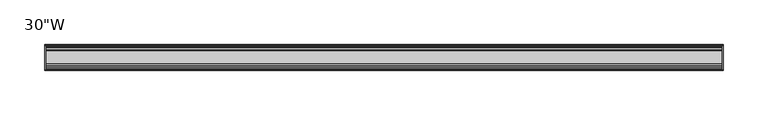
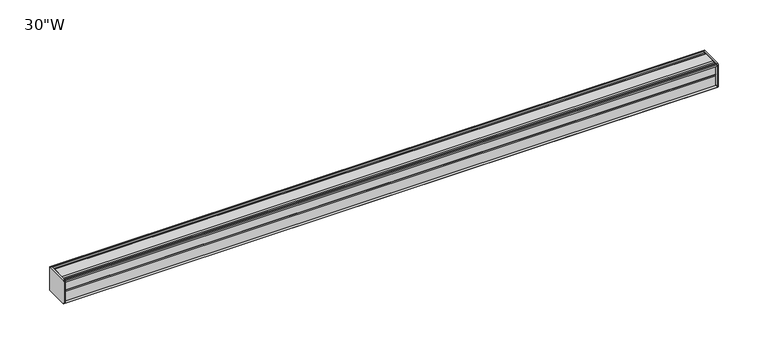
"""IFC4 building model written with IfcOpenShell, lengths in millimetres: furniture geometry."""

from ifc_helpers import new_model, si_unit, frame, origin, place, context, project, spatial, circle_curve, source, transform, mapped, element, save
from ifc_brep_helpers import plane_surface, cylinder_surface, advanced_brep


def furniture_04293cbd(model_context):
    return source(origin(), model_context, "Body", "AdvancedBrep", [
        advanced_brep(
        [(379.4125, 14.5851562, 869.1186262), (379.4125, 14.5851562, 842.9682877), (379.4125, 14.4138595, 842.1623997), (379.4125, 13.8374434, 841.5859837), (379.4125, 12.9019306, 841.3353131), (379.4125, -13.4067434, 841.3353131), (379.4125, -14.3040014, 842.2325711), (379.4125, -14.5851563, 843.0009798), (379.4125, -14.5851563, 868.9193327), (379.4125, -14.3040014, 869.6877414), (379.4125, -13.4464303, 870.5453125), (379.4125, 13.0500437, 870.5453125), (379.4125, 13.8374434, 870.3343288), (379.4125, 14.4138595, 869.7579128), (381.0, 14.6248431, 868.9705131), (381.0, 14.4138595, 869.7579128), (381.0, 13.8374434, 870.3343288), (381.0, 13.0500437, 870.5453125), (381.0, -13.4464303, 870.5453125), (381.0, -14.3040014, 869.6877414), (381.0, -14.5851563, 868.9193327), (381.0, -14.5851563, 843.0009798), (381.0, -14.3040014, 842.2325711), (381.0, -13.4067434, 841.3353131), (381.0, 12.9019306, 841.3353131), (381.0, 13.8374434, 841.5859837), (381.0, 14.4138595, 842.1623997), (381.0, 14.5851562, 842.9682877)],
        [
            (0, 1),
            (1, 2),
            (2, 3),
            (3, 4),
            (4, 5),
            (5, 6),
            (6, 7, circle_curve(frame((379.4125, -13.3945313, 843.0009798), z_axis=(-1.0, 0.0, 0.0), x_axis=(0.0, 1.0, 0.0)), 1.190625)),
            (7, 8),
            (8, 9, circle_curve(frame((379.4125, -13.3945313, 868.9193327), z_axis=(-1.0, 0.0, 0.0), x_axis=(0.0, 1.0, 0.0)), 1.190625)),
            (9, 10),
            (10, 11),
            (11, 12),
            (12, 13),
            (13, 0),
            (14, 15),
            (15, 16),
            (16, 17),
            (17, 18),
            (18, 19),
            (19, 20, circle_curve(frame((381.0, -13.3945313, 868.9193327), z_axis=(1.0, 0.0, 0.0), x_axis=(0.0, 1.0, 0.0)), 1.190625)),
            (20, 21),
            (21, 22, circle_curve(frame((381.0, -13.3945313, 843.0009798), z_axis=(1.0, 0.0, 0.0), x_axis=(0.0, 1.0, 0.0)), 1.190625)),
            (22, 23),
            (23, 24),
            (24, 25),
            (25, 26),
            (26, 27),
            (27, 14),
            (13, 15),
            (14, 0),
            (12, 16),
            (11, 17),
            (10, 18),
            (9, 19),
            (8, 20),
            (7, 21),
            (6, 22),
            (5, 23),
            (4, 24),
            (3, 25),
            (2, 26),
            (1, 27),
        ],
        [
            plane_surface(frame((379.4125, 14.5851562, 842.9682877), z_axis=(-1.0, 0.0, 0.0), x_axis=(0.0, 0.0, -1.0))),
            plane_surface(frame((381.0, 14.5851562, 842.9682877), z_axis=(1.0, 0.0, 0.0), x_axis=(0.0, 0.0, 1.0))),
            plane_surface(frame((379.4125, 14.4138595, 869.7579128), z_axis=(0.0, 0.9659256560349851, 0.25881968049857335), x_axis=(1.0, 0.0, 0.0))),
            plane_surface(frame((379.4125, 13.8374434, 870.3343288), z_axis=(0.0, 0.7071067811866345, 0.7071067811864606), x_axis=(1.0, 0.0, 0.0))),
            plane_surface(frame((379.4125, 13.0500437, 870.5453125), z_axis=(0.0, 0.2588196804711877, 0.9659256560423232), x_axis=(1.0, 0.0, 0.0))),
            plane_surface(frame((379.4125, -13.4464303, 870.5453125), z_axis=(0.0, 0.0, 1.0), x_axis=(1.0, 0.0, 0.0))),
            plane_surface(frame((379.4125, -14.3040014, 869.6877414), z_axis=(0.0, -0.70710678117674, 0.7071067811963553), x_axis=(1.0, 0.0, 0.0))),
            cylinder_surface(frame((381.0, -13.3945313, 868.9193327), z_axis=(-1.0, 0.0, 0.0), x_axis=(0.0, 1.0, 0.0)), 1.190625),
            plane_surface(frame((379.4125, -14.5851563, 843.0009798), z_axis=(0.0, -1.0, 0.0), x_axis=(1.0, 0.0, 0.0))),
            cylinder_surface(frame((381.0, -13.3945313, 843.0009798), z_axis=(-1.0, 0.0, 0.0), x_axis=(0.0, 1.0, 0.0)), 1.190625),
            plane_surface(frame((379.4125, -13.4067434, 841.3353131), z_axis=(0.0, -0.7071067811917079, -0.7071067811813873), x_axis=(1.0, 0.0, 0.0))),
            plane_surface(frame((379.4125, 12.9019306, 841.3353131), z_axis=(0.0, 0.0, -1.0), x_axis=(1.0, 0.0, 0.0))),
            plane_surface(frame((379.4125, 13.8374434, 841.5859837), z_axis=(0.0, 0.2588196804985645, -0.9659256560349875), x_axis=(1.0, 0.0, 0.0))),
            plane_surface(frame((379.4125, 14.4138595, 842.1623997), z_axis=(0.0, 0.7071067811865204, -0.7071067811865748), x_axis=(1.0, 0.0, 0.0))),
            plane_surface(frame((379.4125, 14.5851562, 842.9682877), z_axis=(0.0, 0.9781476007310527, -0.207911690830711), x_axis=(1.0, 0.0, 0.0))),
            plane_surface(frame((379.4125, 14.5851562, 869.1186262), z_axis=(0.0, 1.0, 0.0), x_axis=(1.0, 0.0, 0.0))),
        ],
        [
            (0, [[1, 2, 3, 4, 5, 6, 7, 8, 9, 10, 11, 12, 13, 14]]),
            (1, [[15, 16, 17, 18, 19, 20, 21, 22, 23, 24, 25, 26, 27, 28]]),
            (2, [[-14, 29, -15, 30]]),
            (3, [[-13, 31, -16, -29]]),
            (4, [[-12, 32, -17, -31]]),
            (5, [[-11, 33, -18, -32]]),
            (6, [[-10, 34, -19, -33]]),
            (7, [[-9, 35, -20, -34]]),
            (8, [[-8, 36, -21, -35]]),
            (9, [[-7, 37, -22, -36]]),
            (10, [[-6, 38, -23, -37]]),
            (11, [[-5, 39, -24, -38]]),
            (12, [[-4, 40, -25, -39]]),
            (13, [[-3, 41, -26, -40]]),
            (14, [[-2, 42, -27, -41]]),
            (15, [[-1, -30, -28, -42]]),
        ],
    ),
        advanced_brep(
        [(-379.4125, 14.6248431, 868.9705131), (-379.4125, 14.4138595, 869.7579128), (-379.4125, 13.8374434, 870.3343288), (-379.4125, 13.0500437, 870.5453125), (-379.4125, -13.4464303, 870.5453125), (-379.4125, -14.3040014, 869.6877414), (-379.4125, -14.5851563, 868.9193327), (-379.4125, -14.5851563, 843.0009798), (-379.4125, -14.3040014, 842.2325711), (-379.4125, -13.4067434, 841.3353131), (-379.4125, 12.9019306, 841.3353131), (-379.4125, 13.8374434, 841.5859837), (-379.4125, 14.4138595, 842.1623997), (-379.4125, 14.5851562, 842.9682877), (-381.0, 14.5851562, 869.1186262), (-381.0, 14.5851562, 842.9682877), (-381.0, 14.4138595, 842.1623997), (-381.0, 13.8374434, 841.5859837), (-381.0, 12.9019306, 841.3353131), (-381.0, -13.4067434, 841.3353131), (-381.0, -14.3040014, 842.2325711), (-381.0, -14.5851563, 843.0009798), (-381.0, -14.5851563, 868.9193327), (-381.0, -14.3040014, 869.6877414), (-381.0, -13.4464303, 870.5453125), (-381.0, 13.0500437, 870.5453125), (-381.0, 13.8374434, 870.3343288), (-381.0, 14.4138595, 869.7579128)],
        [
            (0, 1),
            (1, 2),
            (2, 3),
            (3, 4),
            (4, 5),
            (5, 6, circle_curve(frame((-379.4125, -13.3945313, 868.9193327), z_axis=(1.0, 0.0, 0.0), x_axis=(0.0, 1.0, 0.0)), 1.190625)),
            (6, 7),
            (7, 8, circle_curve(frame((-379.4125, -13.3945313, 843.0009798), z_axis=(1.0, 0.0, 0.0), x_axis=(0.0, 1.0, 0.0)), 1.190625)),
            (8, 9),
            (9, 10),
            (10, 11),
            (11, 12),
            (12, 13),
            (13, 0),
            (14, 15),
            (15, 16),
            (16, 17),
            (17, 18),
            (18, 19),
            (19, 20),
            (20, 21, circle_curve(frame((-381.0, -13.3945313, 843.0009798), z_axis=(-1.0, 0.0, 0.0), x_axis=(0.0, 1.0, 0.0)), 1.190625)),
            (21, 22),
            (22, 23, circle_curve(frame((-381.0, -13.3945313, 868.9193327), z_axis=(-1.0, 0.0, 0.0), x_axis=(0.0, 1.0, 0.0)), 1.190625)),
            (23, 24),
            (24, 25),
            (25, 26),
            (26, 27),
            (27, 14),
            (0, 14),
            (27, 1),
            (26, 2),
            (25, 3),
            (24, 4),
            (23, 5),
            (22, 6),
            (21, 7),
            (20, 8),
            (19, 9),
            (18, 10),
            (17, 11),
            (16, 12),
            (15, 13),
        ],
        [
            plane_surface(frame((-379.4125, 14.6248431, 868.9705131), z_axis=(1.0000000000000002, 0.0, 0.0), x_axis=(0.0, -0.25881968043900594, 0.9659256560509463))),
            plane_surface(frame((-381.0, 14.6248431, 868.9705131), z_axis=(-1.0000000000000002, 0.0, 0.0), x_axis=(0.0, 0.25881968043900594, -0.9659256560509463))),
            plane_surface(frame((-379.4125, 14.6248431, 868.9705131), z_axis=(0.0, 0.9659256560509463, 0.25881968043900594), x_axis=(-1.0, 0.0, 0.0))),
            plane_surface(frame((-379.4125, 14.4138595, 869.7579128), z_axis=(0.0, 0.7071067810675442, 0.7071067813055509), x_axis=(-1.0, 0.0, 0.0))),
            plane_surface(frame((-379.4125, 13.8374434, 870.3343288), z_axis=(0.0, 0.2588196804841774, 0.9659256560388426), x_axis=(-1.0, 0.0, 0.0))),
            plane_surface(frame((-379.4125, 13.0500437, 870.5453125), z_axis=(0.0, 0.0, 1.0), x_axis=(-1.0, 0.0, 0.0))),
            plane_surface(frame((-379.4125, -13.4464303, 870.5453125), z_axis=(0.0, -0.7071067811882461, 0.7071067811848489), x_axis=(-1.0, 0.0, 0.0))),
            cylinder_surface(frame((-381.0, -13.3945313, 868.9193327), z_axis=(1.0, 0.0, 0.0), x_axis=(0.0, 1.0, 0.0)), 1.190625),
            plane_surface(frame((-379.4125, -14.5851563, 868.9193327), z_axis=(0.0, -1.0, 0.0), x_axis=(-1.0, 0.0, 0.0))),
            cylinder_surface(frame((-381.0, -13.3945313, 843.0009798), z_axis=(1.0, 0.0, 0.0), x_axis=(0.0, 1.0, 0.0)), 1.190625),
            plane_surface(frame((-379.4125, -14.3040014, 842.2325711), z_axis=(0.0, -0.7071067811865326, -0.7071067811865626), x_axis=(-1.0, 0.0, 0.0))),
            plane_surface(frame((-379.4125, -13.4067434, 841.3353131), z_axis=(0.0, 0.0, -1.0), x_axis=(-1.0, 0.0, 0.0))),
            plane_surface(frame((-379.4125, 12.9019306, 841.3353131), z_axis=(0.0, 0.25881968049856513, -0.9659256560349874), x_axis=(-1.0, 0.0, 0.0))),
            plane_surface(frame((-379.4125, 13.8374434, 841.5859837), z_axis=(0.0, 0.707106781186519, -0.7071067811865761), x_axis=(-1.0, 0.0, 0.0))),
            plane_surface(frame((-379.4125, 14.4138595, 842.1623997), z_axis=(0.0, 0.9781476007314348, -0.20791169082891317), x_axis=(-1.0, 0.0, 0.0))),
            plane_surface(frame((-379.4125, 14.5851562, 842.9682877), z_axis=(0.0, 1.0, 0.0), x_axis=(-1.0, 0.0, 0.0))),
        ],
        [
            (0, [[1, 2, 3, 4, 5, 6, 7, 8, 9, 10, 11, 12, 13, 14]]),
            (1, [[15, 16, 17, 18, 19, 20, 21, 22, 23, 24, 25, 26, 27, 28]]),
            (2, [[-1, 29, -28, 30]]),
            (3, [[-2, -30, -27, 31]]),
            (4, [[-3, -31, -26, 32]]),
            (5, [[-4, -32, -25, 33]]),
            (6, [[-5, -33, -24, 34]]),
            (7, [[-6, -34, -23, 35]]),
            (8, [[-7, -35, -22, 36]]),
            (9, [[-8, -36, -21, 37]]),
            (10, [[-9, -37, -20, 38]]),
            (11, [[-10, -38, -19, 39]]),
            (12, [[-11, -39, -18, 40]]),
            (13, [[-12, -40, -17, 41]]),
            (14, [[-13, -41, -16, 42]]),
            (15, [[-14, -42, -15, -29]]),
        ],
    ),
        advanced_brep(
        [(379.4125, -7.3748315, 870.5453125), (379.4125, -8.9105708, 869.5145796), (379.4125, -10.7601399, 869.5145796), (379.4125, -12.2958792, 870.5453125), (379.4125, -13.4464303, 870.5453125), (379.4125, -14.3040014, 869.6877414), (379.4125, -13.3945313, 867.7287077), (379.4125, -13.3945313, 868.640312), (379.4125, -12.2039063, 868.640312), (379.4125, -12.2039063, 856.7340632), (379.4125, -11.4101564, 855.9403134), (379.4125, -12.2039063, 855.1465636), (379.4125, -12.2039063, 843.2403131), (379.4125, -13.3945313, 843.2403131), (379.4125, -13.3945313, 844.1916048), (379.4125, -14.3040014, 842.2325711), (379.4125, -13.4067434, 841.3353131), (379.4125, -12.2958792, 841.3353131), (379.4125, -10.7601399, 842.3660471), (379.4125, -8.9105708, 842.3660471), (379.4125, -7.4339628, 841.375), (379.4125, 7.4145184, 841.375), (379.4125, 8.9502576, 842.4057329), (379.4125, 10.7998291, 842.4057329), (379.4125, 12.2275037, 841.375), (379.4125, 13.0500437, 841.375), (379.4125, 13.8374434, 841.5859837), (379.4125, 14.4138595, 842.1623997), (379.4125, 14.5851562, 842.9682877), (379.4125, 14.5851562, 869.1186262), (379.4125, 14.4138595, 869.7579128), (379.4125, 13.8374434, 870.3343288), (379.4125, 13.0500437, 870.5453125), (379.4125, 12.2275037, 870.5453125), (379.4125, 10.7998291, 869.5145796), (379.4125, 8.9502576, 869.5145796), (379.4125, 7.4145184, 870.5453125), (-379.4125, -7.3748315, 870.5453125), (-379.4125, 7.4145184, 870.5453125), (-379.4125, 8.9502576, 869.5145796), (-379.4125, 10.7998291, 869.5145796), (-379.4125, 12.2275037, 870.5453125), (-379.4125, 13.0500437, 870.5453125), (-379.4125, 13.8374434, 870.3343288), (-379.4125, 14.4138595, 869.7579128), (-379.4125, 14.6248431, 868.9705131), (-379.4125, 14.5851562, 842.9682877), (-379.4125, 14.4138595, 842.1623997), (-379.4125, 13.8374434, 841.5859837), (-379.4125, 13.0500437, 841.375), (-379.4125, 12.2275037, 841.375), (-379.4125, 10.7998291, 842.4057329), (-379.4125, 8.9502576, 842.4057329), (-379.4125, 7.4145184, 841.375), (-379.4125, -7.4339628, 841.375), (-379.4125, -8.9105708, 842.3660471), (-379.4125, -10.7601399, 842.3660471), (-379.4125, -12.2958792, 841.3353131), (-379.4125, -13.4067434, 841.3353131), (-379.4125, -14.3040014, 842.2325711), (-379.4125, -13.3945313, 844.1916048), (-379.4125, -13.3945313, 843.2403131), (-379.4125, -12.2039063, 843.2403131), (-379.4125, -12.2039063, 855.1465636), (-379.4125, -11.4101564, 855.9403134), (-379.4125, -12.2039063, 856.7340632), (-379.4125, -12.2039063, 868.640312), (-379.4125, -13.3945313, 868.640312), (-379.4125, -13.3945313, 867.7287077), (-379.4125, -14.3040014, 869.6877414), (-379.4125, -13.4464303, 870.5453125), (-379.4125, -12.2958792, 870.5453125), (-379.4125, -10.7601399, 869.5145796), (-379.4125, -8.9105708, 869.5145796)],
        [
            (0, 1),
            (1, 2),
            (2, 3),
            (3, 4),
            (4, 5),
            (5, 6, circle_curve(frame((379.4125, -13.3945313, 868.9193327), z_axis=(1.0, 0.0, 0.0), x_axis=(0.0, 1.0, 0.0)), 1.190625)),
            (6, 7),
            (7, 8),
            (8, 9),
            (9, 10),
            (10, 11),
            (11, 12),
            (12, 13),
            (13, 14),
            (14, 15, circle_curve(frame((379.4125, -13.3945313, 843.0009798), z_axis=(1.0, 0.0, 0.0), x_axis=(0.0, 1.0, 0.0)), 1.190625)),
            (15, 16),
            (16, 17),
            (17, 18),
            (18, 19),
            (19, 20),
            (20, 21),
            (21, 22),
            (22, 23),
            (23, 24),
            (24, 25),
            (25, 26),
            (26, 27),
            (27, 28),
            (28, 29),
            (29, 30),
            (30, 31),
            (31, 32),
            (32, 33),
            (33, 34),
            (34, 35),
            (35, 36),
            (36, 0),
            (37, 38),
            (38, 39),
            (39, 40),
            (40, 41),
            (41, 42),
            (42, 43),
            (43, 44),
            (44, 45),
            (45, 46),
            (46, 47),
            (47, 48),
            (48, 49),
            (49, 50),
            (50, 51),
            (51, 52),
            (52, 53),
            (53, 54),
            (54, 55),
            (55, 56),
            (56, 57),
            (57, 58),
            (58, 59),
            (59, 60, circle_curve(frame((-379.4125, -13.3945313, 843.0009798), z_axis=(-1.0, 0.0, 0.0), x_axis=(0.0, 1.0, 0.0)), 1.190625)),
            (60, 61),
            (61, 62),
            (62, 63),
            (63, 64),
            (64, 65),
            (65, 66),
            (66, 67),
            (67, 68),
            (68, 69, circle_curve(frame((-379.4125, -13.3945313, 868.9193327), z_axis=(-1.0, 0.0, 0.0), x_axis=(0.0, 1.0, 0.0)), 1.190625)),
            (69, 70),
            (70, 71),
            (71, 72),
            (72, 73),
            (73, 37),
            (0, 37),
            (73, 1),
            (72, 2),
            (71, 3),
            (70, 4),
            (69, 5),
            (68, 6),
            (67, 7),
            (66, 8),
            (65, 9),
            (64, 10),
            (63, 11),
            (62, 12),
            (61, 13),
            (60, 14),
            (59, 15),
            (58, 16),
            (57, 17),
            (56, 18),
            (55, 19),
            (54, 20),
            (53, 21),
            (52, 22),
            (51, 23),
            (50, 24),
            (49, 25),
            (48, 26),
            (47, 27),
            (46, 28),
            (45, 29),
            (44, 30),
            (43, 31),
            (42, 32),
            (41, 33),
            (40, 34),
            (39, 35),
            (38, 36),
        ],
        [
            plane_surface(frame((379.4125, -7.3748315, 870.5453125), z_axis=(1.0, 0.0, 0.0), x_axis=(0.0, -0.8303227972603312, -0.5572827400429506))),
            plane_surface(frame((-379.4125, -7.3748315, 870.5453125), z_axis=(-1.0, 0.0, 0.0), x_axis=(0.0, 0.8303227972603312, 0.5572827400429506))),
            plane_surface(frame((379.4125, -7.3748315, 870.5453125), z_axis=(0.0, -0.5572827400429506, 0.8303227972603312), x_axis=(-1.0, 0.0, 0.0))),
            plane_surface(frame((379.4125, -8.9105708, 869.5145796), z_axis=(0.0, 0.0, 1.0), x_axis=(-1.0, 0.0, 0.0))),
            plane_surface(frame((379.4125, -10.7601399, 869.5145796), z_axis=(0.0, 0.557282740042951, 0.8303227972603311), x_axis=(-1.0, 0.0, 0.0))),
            plane_surface(frame((379.4125, -12.2958792, 870.5453125), z_axis=(0.0, 0.0, 1.0), x_axis=(-1.0, 0.0, 0.0))),
            plane_surface(frame((379.4125, -13.4464303, 870.5453125), z_axis=(0.0, -0.7071067811813211, 0.707106781191774), x_axis=(-1.0, 0.0, 0.0))),
            cylinder_surface(frame((-379.4125, -13.3945313, 868.9193327), z_axis=(1.0, 0.0, 0.0), x_axis=(0.0, 1.0, 0.0)), 1.190625),
            plane_surface(frame((379.4125, -13.3945313, 867.7287077), z_axis=(0.0, 1.0, 0.0), x_axis=(-1.0, 0.0, 0.0))),
            plane_surface(frame((379.4125, -13.3945313, 868.640312), z_axis=(0.0, 0.0, -1.0), x_axis=(-1.0, 0.0, 0.0))),
            plane_surface(frame((379.4125, -12.2039063, 868.640312), z_axis=(0.0, -1.0, 0.0), x_axis=(-1.0, 0.0, 0.0))),
            plane_surface(frame((379.4125, -12.2039063, 856.7340632), z_axis=(0.0, -0.7071067811865146, -0.7071067811865805), x_axis=(-1.0, 0.0, 0.0))),
            plane_surface(frame((379.4125, -11.4101564, 855.9403134), z_axis=(0.0, -0.7071067811865522, 0.7071067811865428), x_axis=(-1.0, 0.0, 0.0))),
            plane_surface(frame((379.4125, -12.2039063, 855.1465636), z_axis=(0.0, -1.0, 0.0), x_axis=(-1.0, 0.0, 0.0))),
            plane_surface(frame((379.4125, -12.2039063, 843.2403131), z_axis=(0.0, 0.0, 1.0), x_axis=(-1.0, 0.0, 0.0))),
            plane_surface(frame((379.4125, -13.3945313, 843.2403131), z_axis=(0.0, 1.0, 0.0), x_axis=(-1.0, 0.0, 0.0))),
            cylinder_surface(frame((-379.4125, -13.3945313, 843.0009798), z_axis=(1.0, 0.0, 0.0), x_axis=(0.0, 1.0, 0.0)), 1.190625),
            plane_surface(frame((379.4125, -14.3040014, 842.2325711), z_axis=(0.0, -0.7071067811865901, -0.707106781186505), x_axis=(-1.0, 0.0, 0.0))),
            plane_surface(frame((379.4125, -13.4067434, 841.3353131), z_axis=(0.0, 0.0, -1.0), x_axis=(-1.0, 0.0, 0.0))),
            plane_surface(frame((379.4125, -12.2958792, 841.3353131), z_axis=(0.0, 0.5572831632988446, -0.8303225131860712), x_axis=(-1.0, 0.0, 0.0))),
            plane_surface(frame((379.4125, -10.7601399, 842.3660471), z_axis=(0.0, 0.0, -1.0), x_axis=(-1.0, 0.0, 0.0))),
            plane_surface(frame((379.4125, -8.9105708, 842.3660471), z_axis=(0.0, -0.5572831633036728, -0.8303225131828307), x_axis=(-1.0, 0.0, 0.0))),
            plane_surface(frame((379.4125, -7.4339628, 841.375), z_axis=(0.0, 0.0, -1.0), x_axis=(-1.0, 0.0, 0.0))),
            plane_surface(frame((379.4125, 7.4145184, 841.375), z_axis=(0.0, 0.5572827400522353, -0.8303227972540997), x_axis=(-1.0, 0.0, 0.0))),
            plane_surface(frame((379.4125, 8.9502576, 842.4057329), z_axis=(0.0, 0.0, -1.0), x_axis=(-1.0, 0.0, 0.0))),
            plane_surface(frame((379.4125, 10.7998291, 842.4057329), z_axis=(0.0, -0.5853541342124147, -0.8107777362264177), x_axis=(-1.0, 0.0, 0.0))),
            plane_surface(frame((379.4125, 12.2275037, 841.375), z_axis=(0.0, 0.0, -1.0), x_axis=(-1.0, 0.0, 0.0))),
            plane_surface(frame((379.4125, 13.0500437, 841.375), z_axis=(0.0, 0.2588196804985639, -0.9659256560349877), x_axis=(-1.0, 0.0, 0.0))),
            plane_surface(frame((379.4125, 13.8374434, 841.5859837), z_axis=(0.0, 0.7071067811865592, -0.7071067811865358), x_axis=(-1.0, 0.0, 0.0))),
            plane_surface(frame((379.4125, 14.4138595, 842.1623997), z_axis=(0.0, 0.9781476007314349, -0.20791169082891267), x_axis=(-1.0, 0.0, 0.0))),
            plane_surface(frame((379.4125, 14.5851562, 842.9682877), z_axis=(0.0, 1.0, 0.0), x_axis=(-1.0, 0.0, 0.0))),
            plane_surface(frame((379.4125, 14.6248431, 868.9705131), z_axis=(0.0, 0.9659256560510352, 0.2588196804386741), x_axis=(-1.0, 0.0, 0.0))),
            plane_surface(frame((379.4125, 14.4138595, 869.7579128), z_axis=(0.0, 0.7071067810667437, 0.7071067813063513), x_axis=(-1.0, 0.0, 0.0))),
            plane_surface(frame((379.4125, 13.8374434, 870.3343288), z_axis=(0.0, 0.2588196804843108, 0.9659256560388069), x_axis=(-1.0, 0.0, 0.0))),
            plane_surface(frame((379.4125, 13.0500437, 870.5453125), z_axis=(0.0, 0.0, 1.0), x_axis=(-1.0, 0.0, 0.0))),
            plane_surface(frame((379.4125, 12.2275037, 870.5453125), z_axis=(0.0, -0.5853541342077658, 0.810777736229774), x_axis=(-1.0, 0.0, 0.0))),
            plane_surface(frame((379.4125, 10.7998291, 869.5145796), z_axis=(0.0, 0.0, 1.0), x_axis=(-1.0, 0.0, 0.0))),
            plane_surface(frame((379.4125, 8.9502576, 869.5145796), z_axis=(0.0, 0.557282740042951, 0.8303227972603311), x_axis=(-1.0, 0.0, 0.0))),
            plane_surface(frame((379.4125, 7.4145184, 870.5453125), z_axis=(0.0, 0.0, 1.0), x_axis=(-1.0, 0.0, 0.0))),
        ],
        [
            (0, [[1, 2, 3, 4, 5, 6, 7, 8, 9, 10, 11, 12, 13, 14, 15, 16, 17, 18, 19, 20, 21, 22, 23, 24, 25, 26, 27, 28, 29, 30, 31, 32, 33, 34, 35, 36, 37]]),
            (1, [[38, 39, 40, 41, 42, 43, 44, 45, 46, 47, 48, 49, 50, 51, 52, 53, 54, 55, 56, 57, 58, 59, 60, 61, 62, 63, 64, 65, 66, 67, 68, 69, 70, 71, 72, 73, 74]]),
            (2, [[-1, 75, -74, 76]]),
            (3, [[-2, -76, -73, 77]]),
            (4, [[-3, -77, -72, 78]]),
            (5, [[-4, -78, -71, 79]]),
            (6, [[-5, -79, -70, 80]]),
            (7, [[-6, -80, -69, 81]]),
            (8, [[-7, -81, -68, 82]]),
            (9, [[-8, -82, -67, 83]]),
            (10, [[-9, -83, -66, 84]]),
            (11, [[-10, -84, -65, 85]]),
            (12, [[-11, -85, -64, 86]]),
            (13, [[-12, -86, -63, 87]]),
            (14, [[-13, -87, -62, 88]]),
            (15, [[-14, -88, -61, 89]]),
            (16, [[-15, -89, -60, 90]]),
            (17, [[-16, -90, -59, 91]]),
            (18, [[-17, -91, -58, 92]]),
            (19, [[-18, -92, -57, 93]]),
            (20, [[-19, -93, -56, 94]]),
            (21, [[-20, -94, -55, 95]]),
            (22, [[-21, -95, -54, 96]]),
            (23, [[-22, -96, -53, 97]]),
            (24, [[-23, -97, -52, 98]]),
            (25, [[-24, -98, -51, 99]]),
            (26, [[-25, -99, -50, 100]]),
            (27, [[-26, -100, -49, 101]]),
            (28, [[-27, -101, -48, 102]]),
            (29, [[-28, -102, -47, 103]]),
            (30, [[-29, -103, -46, 104]]),
            (31, [[-30, -104, -45, 105]]),
            (32, [[-31, -105, -44, 106]]),
            (33, [[-32, -106, -43, 107]]),
            (34, [[-33, -107, -42, 108]]),
            (35, [[-34, -108, -41, 109]]),
            (36, [[-35, -109, -40, 110]]),
            (37, [[-36, -110, -39, 111]]),
            (38, [[-37, -111, -38, -75]]),
        ],
    ),
    ])


if __name__ == "__main__":
    model = new_model("IFC4")
    model_context = context("Model", 3, world=origin())
    ifc_project = project(units=[si_unit("LENGTHUNIT", "METRE", prefix="MILLI")], contexts=[model_context])
    site = spatial("IfcSite", under=ifc_project)
    building = spatial("IfcBuilding", under=site)
    placement = place(None, origin())
    furniture_shape = furniture_04293cbd(model_context)
    element("IfcFurniture", 1, ObjectType="30\"W", at=placement, inside=building, context=model_context, shape_type="MappedRepresentation", body=[
        mapped(furniture_shape, transform((0.0, 0.0, 0.0), x_axis=(1.0, 0.0, 0.0), y_axis=(0.0, 1.0, 0.0), z_axis=(0.0, 0.0, 1.0))),
    ])
    save(model, "model.ifc")
